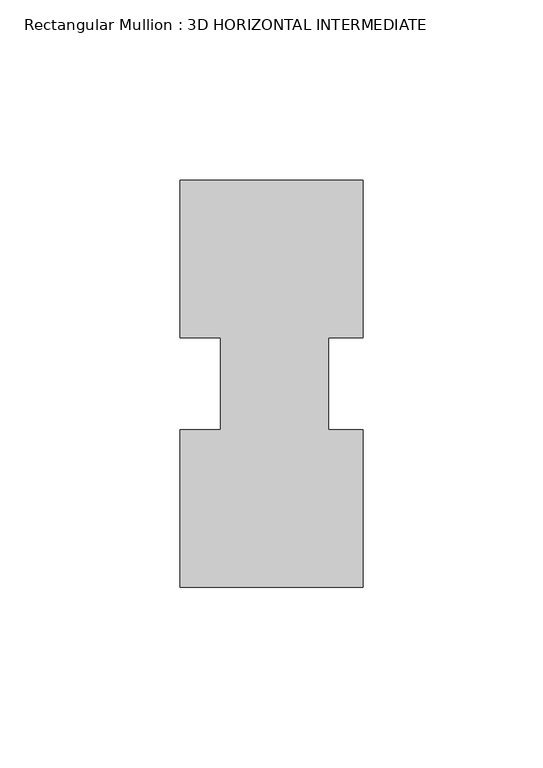
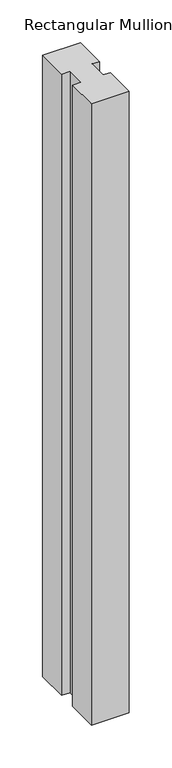
"""IFC4 building model written with IfcOpenShell, lengths in millimetres: member geometry, Rectangular Mullion : 3D HORIZONTAL INTERMEDIATE."""

import ifcopenshell
import ifcopenshell.guid

model = None  # the IFC model being written
_history = None  # IfcOwnerHistory: only IFC2X3 demands one
_inside = {}  # id of a spatial element -> (the spatial element, [elements in it])
_under = {}  # id of a project, library or spatial element -> (it, [spatial elements below it])
_declared = {}  # id of a project -> (the project, [libraries it declares])
_typed = {}  # id of a type object -> (the type object, [elements of that type])
_made_of = {}  # id of a material, layer set ... -> (it, [elements and type objects made of it])


def new_model(schema):
    """Start an empty IFC model of exactly this schema.

    Asked for "IFC4X3", IfcOpenShell would pick the latest addendum, in which some entities
    have other attributes; the version numbers below select the first issue.
    IFC2X3 requires an IfcOwnerHistory on every rooted entity: one is made here for all.
    """
    global model, _history
    if schema == "IFC4X3":
        model = ifcopenshell.file(schema_version=(4, 3, 0, 0))
    else:
        model = ifcopenshell.file(schema=schema)
    _inside.clear()
    _under.clear()
    _declared.clear()
    _typed.clear()
    _made_of.clear()
    _history = None
    if model.schema == "IFC2X3":
        org = make("IfcOrganization", Name="unknown")
        user = make(
            "IfcPersonAndOrganization",
            ThePerson=make("IfcPerson", FamilyName="unknown"),
            TheOrganization=org,
        )
        app = make(
            "IfcApplication",
            ApplicationDeveloper=org,
            Version="unknown",
            ApplicationFullName="unknown",
            ApplicationIdentifier="unknown",
        )
        _history = make(
            "IfcOwnerHistory",
            OwningUser=user,
            OwningApplication=app,
            ChangeAction="ADDED",
            CreationDate=0,
        )
    return model


def make(cls, **values):
    """One entity of the class cls with the attributes given. An attribute that is None is left unset."""
    return model.create_entity(
        cls, **{name: value for name, value in values.items() if value is not None}
    )


def rooted(cls, **values):
    """An entity with a GlobalId (a new one), such as an element, a storey or a relation."""
    return make(cls, GlobalId=ifcopenshell.guid.new(), OwnerHistory=_history, **values)


def si_unit(unit_type, name, prefix=None):
    """IfcSIUnit, for example si_unit("LENGTHUNIT", "METRE", prefix="MILLI")."""
    return make("IfcSIUnit", UnitType=unit_type, Prefix=prefix, Name=name)


def assignment(units):
    """IfcUnitAssignment: the units of a project."""
    return None if units is None else make("IfcUnitAssignment", Units=units)


def point(xyz):
    """IfcCartesianPoint."""
    return None if xyz is None else make("IfcCartesianPoint", Coordinates=xyz)


def direction(xyz):
    """IfcDirection."""
    return None if xyz is None else make("IfcDirection", DirectionRatios=xyz)


def frame(location, z_axis=None, x_axis=None):
    """IfcAxis2Placement3D, a coordinate frame: its origin and axes. An axis left out is left unset."""
    return make(
        "IfcAxis2Placement3D",
        Location=point(location),
        Axis=direction(z_axis),
        RefDirection=direction(x_axis),
    )


def origin():
    """The frame at (0, 0, 0) with its axes left unset."""
    return frame((0.0, 0.0, 0.0))


def place(relative_to, where):
    """IfcLocalPlacement: puts the frame where relative to a parent placement (None: the world)."""
    return make(
        "IfcLocalPlacement", PlacementRelTo=relative_to, RelativePlacement=where
    )


def context(
    kind, dimensions, precision=None, world=None, true_north=None, identifier=None
):
    """IfcGeometricRepresentationContext, for example the 3D "Model" context."""
    return make(
        "IfcGeometricRepresentationContext",
        ContextIdentifier=identifier,
        ContextType=kind,
        CoordinateSpaceDimension=dimensions,
        Precision=precision,
        WorldCoordinateSystem=world,
        TrueNorth=true_north,
    )


def project(units=None, contexts=None):
    """IfcProject with its units and contexts."""
    return rooted(
        "IfcProject",
        Name="project",
        RepresentationContexts=contexts,
        UnitsInContext=assignment(units),
    )


def spatial(cls, under=None, at=None, **own):
    """A site, building, storey or space (cls), placed at a placement, below another one or the project."""
    s = rooted(cls, ObjectPlacement=at, **own)
    if under is not None:
        _under.setdefault(under.id(), (under, []))[1].append(s)
    return s


def polyline(points):
    """IfcPolyline through the points."""
    return make("IfcPolyline", Points=[point(p) for p in points])


def outline(outer, holes=None, kind="AREA"):
    """IfcArbitraryClosedProfileDef: a profile drawn as a closed curve; with holes, ...WithVoids."""
    if holes is None:
        return make("IfcArbitraryClosedProfileDef", ProfileType=kind, OuterCurve=outer)
    return make(
        "IfcArbitraryProfileDefWithVoids",
        ProfileType=kind,
        OuterCurve=outer,
        InnerCurves=holes,
    )


def extrude(swept, where, along, depth):
    """IfcExtrudedAreaSolid: the profile swept, set in the frame where, extruded along a direction by depth."""
    return make(
        "IfcExtrudedAreaSolid",
        SweptArea=swept,
        Position=where,
        ExtrudedDirection=direction(along),
        Depth=depth,
    )


def shape(context_of_items, identifier, shape_type, items):
    """IfcShapeRepresentation: the items that make up one representation, for example the "Body"."""
    return make(
        "IfcShapeRepresentation",
        ContextOfItems=context_of_items,
        RepresentationIdentifier=identifier,
        RepresentationType=shape_type,
        Items=items,
    )


def source(mapping_origin, context_of_items, identifier, shape_type, items):
    """IfcRepresentationMap: a shape defined once, which mapped items show again and again."""
    return make(
        "IfcRepresentationMap",
        MappingOrigin=mapping_origin,
        MappedRepresentation=shape(context_of_items, identifier, shape_type, items),
    )


def transform(
    local_origin,
    x_axis=None,
    y_axis=None,
    z_axis=None,
    scale=None,
    scale2=None,
    scale3=None,
    uniform=True,
):
    """IfcCartesianTransformationOperator3D, or its non-uniform kind. x_axis, y_axis, z_axis: its Axis1, 2, 3."""
    if uniform:
        return make(
            "IfcCartesianTransformationOperator3D",
            Axis1=direction(x_axis),
            Axis2=direction(y_axis),
            LocalOrigin=point(local_origin),
            Scale=scale,
            Axis3=direction(z_axis),
        )
    return make(
        "IfcCartesianTransformationOperator3DnonUniform",
        Axis1=direction(x_axis),
        Axis2=direction(y_axis),
        LocalOrigin=point(local_origin),
        Scale=scale,
        Axis3=direction(z_axis),
        Scale2=scale2,
        Scale3=scale3,
    )


def mapped(mapping_source, mapping_target):
    """IfcMappedItem: shows the shape of a source again, moved by a transform."""
    return make(
        "IfcMappedItem", MappingSource=mapping_source, MappingTarget=mapping_target
    )


def made_of(thing, what):
    """Note that an element or type object is made of a material, layer set ...; save() writes the relation."""
    if what is not None:
        _made_of.setdefault(what.id(), (what, []))[1].append(thing)
    return thing


def element(
    cls,
    number,
    at=None,
    inside=None,
    cuts=None,
    type_object=None,
    material=None,
    context=None,
    identifier="Body",
    shape_type=None,
    held_by="IfcProductDefinitionShape",
    body=None,
    shapes=None,
    **own,
):
    """One element of the class cls, such as IfcWall. Its Tag is "e" and its number.

    at: its placement. inside: the storey or other place that contains it. cuts: it is an
    opening in that element (IfcRelVoidsElement). A single representation is given by context,
    identifier, shape_type and body (its items); several are given by shapes. held_by: the class
    of the entity that holds the representations. save() writes the other relations.
    """
    e = rooted(cls, Tag="e%d" % number, ObjectPlacement=at, **own)
    if body is not None:
        shapes = [shape(context, identifier, shape_type, body)]
    if shapes is not None:
        e.Representation = make(held_by, Representations=shapes)
    if inside is not None:
        _inside.setdefault(inside.id(), (inside, []))[1].append(e)
    if cuts is not None:
        rooted(
            "IfcRelVoidsElement", RelatingBuildingElement=cuts, RelatedOpeningElement=e
        )
    if type_object is not None:
        _typed.setdefault(type_object.id(), (type_object, []))[1].append(e)
    return made_of(e, material)


def aggregate(whole, parts):
    """IfcRelAggregates: a whole, such as a stair, and the parts it consists of."""
    return rooted("IfcRelAggregates", RelatingObject=whole, RelatedObjects=parts)


def save(model, path):
    """Write the relations noted so far, then the file.

    IfcRelAggregates (storeys below a building ...), IfcRelContainedInSpatialStructure (elements
    in a storey), IfcRelDefinesByType, IfcRelAssociatesMaterial and IfcRelDeclares: one each for
    every whole, place, type object, material and project.
    """
    for whole, parts in _under.values():
        aggregate(whole, parts)
    for where, things in _inside.values():
        rooted(
            "IfcRelContainedInSpatialStructure",
            RelatedElements=things,
            RelatingStructure=where,
        )
    for kind, things in _typed.values():
        rooted("IfcRelDefinesByType", RelatedObjects=things, RelatingType=kind)
    for what, things in _made_of.values():
        rooted("IfcRelAssociatesMaterial", RelatedObjects=things, RelatingMaterial=what)
    for by, libraries in _declared.values():
        rooted("IfcRelDeclares", RelatingContext=by, RelatedDefinitions=libraries)
    model.write(path)


def rectangular_mullion_3d_horizontal_intermediate_b5b76788(model_context):
    return source(origin(), model_context, "Body", "SweptSolid", [
        extrude(outline(polyline([(24.4527147, 12.7295207), (14.9404146, 12.7295207), (14.9404146, -12.7581776), (24.4527147, -12.7581776), (24.4527147, -56.5435115), (-26.3472853, -56.5435115), (-26.3472853, -12.7581776), (-14.9939298, -12.7581776), (-14.9939298, 12.7295207), (-26.3282353, 12.7295207), (-26.3282353, 56.5372885), (24.4527147, 56.5372885), (24.4527147, 12.7295207)])), frame((0.0, 0.0, -882.8293076), z_axis=(0.0, 0.0, 1.0), x_axis=(1.0, 0.0, 0.0)), (0.0, 0.0, 1.0), 882.8293076),
    ])


if __name__ == "__main__":
    model = new_model("IFC4")
    model_context = context("Model", 3, world=origin())
    ifc_project = project(units=[si_unit("LENGTHUNIT", "METRE", prefix="MILLI")], contexts=[model_context])
    site = spatial("IfcSite", under=ifc_project)
    building = spatial("IfcBuilding", under=site)
    placement = place(None, origin())
    rectangular_mullion_3d_horizontal_intermediate_shape = rectangular_mullion_3d_horizontal_intermediate_b5b76788(model_context)
    element("IfcMember", 1, ObjectType="Rectangular Mullion : 3D HORIZONTAL INTERMEDIATE", at=placement, inside=building, context=model_context, shape_type="MappedRepresentation", body=[
        mapped(rectangular_mullion_3d_horizontal_intermediate_shape, transform((0.0, 0.0, 0.0), x_axis=(1.0, 0.0, 0.0), y_axis=(0.0, 1.0, 0.0), z_axis=(0.0, 0.0, 1.0))),
    ])
    save(model, "model.ifc")
